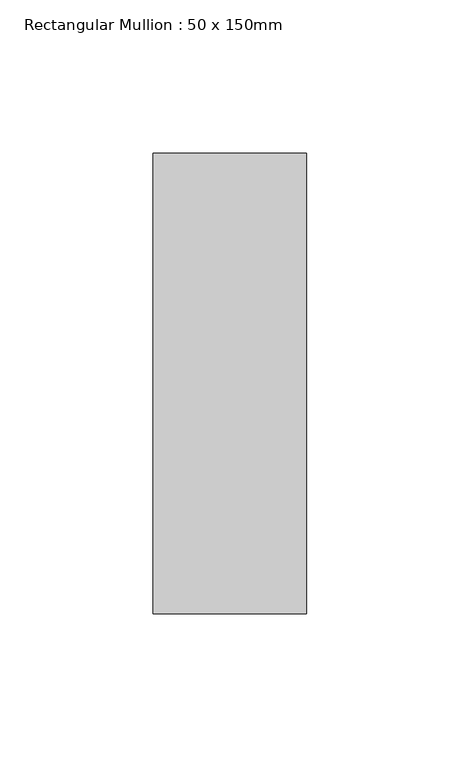
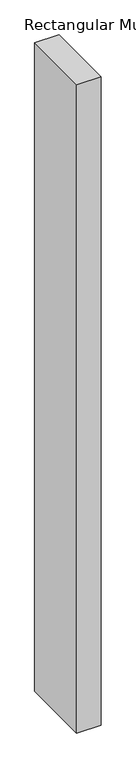
"""IFC4 building model written with IfcOpenShell, lengths in millimetres: member geometry, Rectangular Mullion : 50 x 150mm."""

from ifc_helpers import new_model, si_unit, frame, origin, place, context, project, spatial, polyline, outline, extrude, source, transform, mapped, element, save


def rectangular_mullion_50_x_150mm_6c9f9a18(model_context):
    return source(origin(), model_context, "Body", "SweptSolid", [
        extrude(outline(polyline([(25.0, 75.0), (25.0, -75.0), (-25.0, -75.0), (-25.0, 75.0), (25.0, 75.0)])), frame((0.0, 0.0, -1414.183201), z_axis=(0.0, 0.0, 1.0), x_axis=(1.0, 0.0, 0.0)), (0.0, 0.0, 1.0), 1414.183201),
    ])


if __name__ == "__main__":
    model = new_model("IFC4")
    model_context = context("Model", 3, world=origin())
    ifc_project = project(units=[si_unit("LENGTHUNIT", "METRE", prefix="MILLI")], contexts=[model_context])
    site = spatial("IfcSite", under=ifc_project)
    building = spatial("IfcBuilding", under=site)
    placement = place(None, origin())
    rectangular_mullion_50_x_150mm_shape = rectangular_mullion_50_x_150mm_6c9f9a18(model_context)
    element("IfcMember", 1, ObjectType="Rectangular Mullion : 50 x 150mm", at=placement, inside=building, context=model_context, shape_type="MappedRepresentation", body=[
        mapped(rectangular_mullion_50_x_150mm_shape, transform((0.0, 0.0, 0.0), x_axis=(1.0, 0.0, 0.0), y_axis=(0.0, 1.0, 0.0), z_axis=(0.0, 0.0, 1.0))),
    ])
    save(model, "model.ifc")
